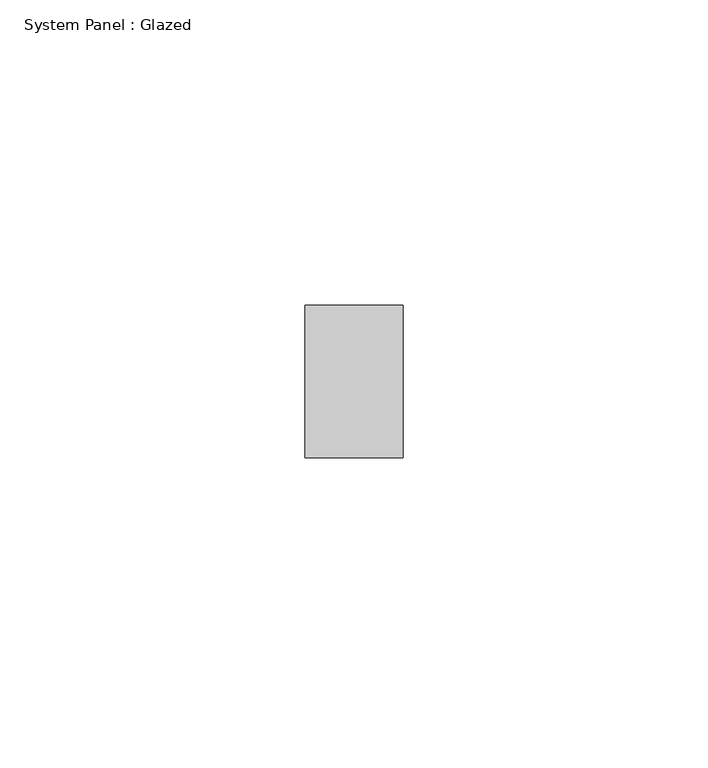
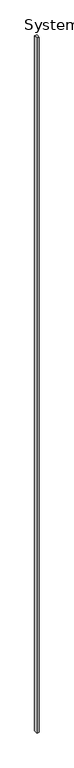
"""IFC4 building model written with IfcOpenShell, lengths in millimetres: plate geometry, System Panel : Glazed."""

from ifc_helpers import new_model, si_unit, origin, origin_with_axes, place, context, project, spatial, polyline, outline, extrude, source, transform, mapped, element, save


def system_panel_glazed_214bd7bb(model_context):
    return source(origin(), model_context, "Body", "SweptSolid", [
        extrude(outline(polyline([(8.0445259, 24.5), (-8.0445259, 24.5), (-8.0445259, 49.5), (8.0445259, 49.5), (8.0445259, 24.5)])), origin_with_axes(), (0.0, 0.0, 1.0), 5020.0),
    ])


if __name__ == "__main__":
    model = new_model("IFC4")
    model_context = context("Model", 3, world=origin())
    ifc_project = project(units=[si_unit("LENGTHUNIT", "METRE", prefix="MILLI")], contexts=[model_context])
    site = spatial("IfcSite", under=ifc_project)
    building = spatial("IfcBuilding", under=site)
    placement = place(None, origin())
    system_panel_glazed_shape = system_panel_glazed_214bd7bb(model_context)
    element("IfcPlate", 1, ObjectType="System Panel : Glazed", at=placement, inside=building, context=model_context, shape_type="MappedRepresentation", body=[
        mapped(system_panel_glazed_shape, transform((0.0, 0.0, 0.0), x_axis=(1.0, 0.0, 0.0), y_axis=(0.0, 1.0, 0.0), z_axis=(0.0, 0.0, 1.0))),
    ])
    save(model, "model.ifc")
